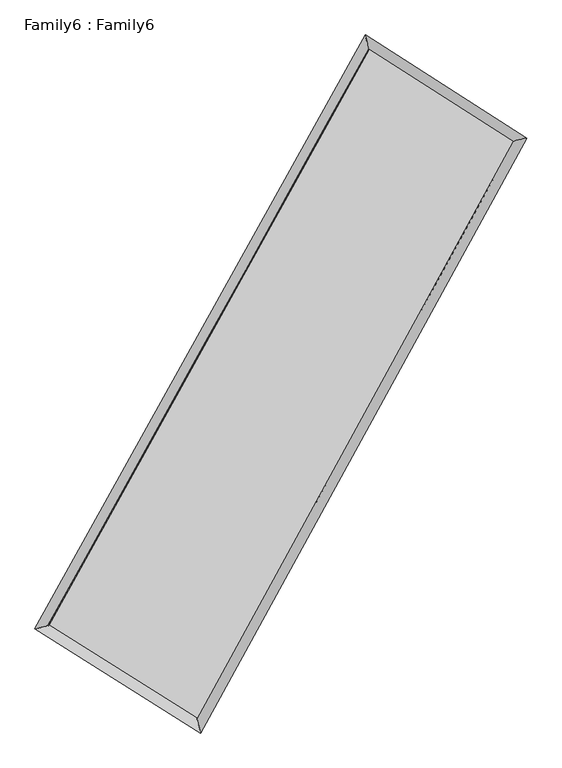
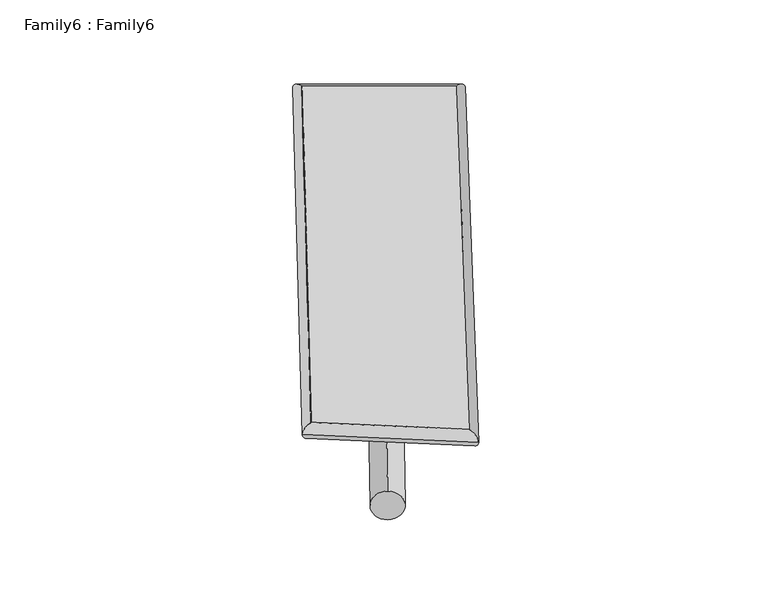
"""IFC4 building model written with IfcOpenShell, lengths in millimetres: plate geometry, Family6 : Family6."""

from ifc_helpers import new_model, si_unit, point, frame, origin, origin_2d, place, context, project, spatial, circle_curve, ellipse_curve, trimmed, segment, composite_curve, outline, extrude, source, transform, mapped, element, save
from ifc_brep_helpers import plane_surface, cylinder_surface, spline_surface, advanced_brep


def family6_family6_60eda003(model_context):
    return source(origin(), model_context, "Body", "SolidModel", [
        extrude(outline(composite_curve([segment(trimmed(circle_curve(origin_2d(), 76.2), [point((-75.4341514, -10.7763073))], [point((75.4341514, 10.7763073))], False, "CARTESIAN"), True, "CONTINUOUS"), segment(trimmed(circle_curve(origin_2d(), 76.2), [point((75.4341514, 10.7763073))], [point((-75.4341514, -10.7763073))], False, "CARTESIAN"), True, "CONTINUOUS")], self_intersect=False)), frame((9144.0, 9144.0, 0.0), z_axis=(0.6628360904195012, 0.6923492654614727, 0.28513297222936207), x_axis=(-0.6851701525117394, 0.7144190949616327, -0.14194089918427955)), (0.0, 0.0, 1.0), 5488.0982779),
        extrude(outline(composite_curve([segment(trimmed(circle_curve(origin_2d(), 76.2), [point((-53.8815368, 53.8815367))], [point((53.8815368, -53.8815367))], False, "CARTESIAN"), True, "CONTINUOUS"), segment(trimmed(circle_curve(origin_2d(), 76.2), [point((53.8815368, -53.8815367))], [point((-53.8815368, 53.8815367))], False, "CARTESIAN"), True, "CONTINUOUS")], self_intersect=False)), frame((9144.0, 9144.0, 0.0), z_axis=(-0.6671465709234192, -0.6885724161679905, 0.28422434905844907), x_axis=(0.6494764968904213, -0.35079963915844486, 0.6746257430259027)), (0.0, 0.0, 1.0), 5503.8072795),
        extrude(outline(composite_curve([segment(trimmed(circle_curve(origin_2d(), 76.2), [point((-53.8815368, -53.8815367))], [point((53.8815368, 53.8815367))], False, "CARTESIAN"), True, "CONTINUOUS"), segment(trimmed(circle_curve(origin_2d(), 76.2), [point((53.8815368, 53.8815367))], [point((-53.8815368, -53.8815367))], False, "CARTESIAN"), True, "CONTINUOUS")], self_intersect=False)), frame((9144.0, 9144.0, 0.0), z_axis=(0.24219779670273572, 0.9338759599134253, 0.2630891840576473), x_axis=(-0.8442988930623518, 0.3364636066042845, -0.4170750778990814)), (0.0, 0.0, 1.0), 5624.059155),
        extrude(outline(composite_curve([segment(trimmed(circle_curve(origin_2d(), 76.2), [point((-75.4341514, 10.7763074))], [point((75.4341514, -10.7763074))], False, "CARTESIAN"), True, "CONTINUOUS"), segment(trimmed(circle_curve(origin_2d(), 76.2), [point((75.4341514, -10.7763074))], [point((-75.4341514, 10.7763074))], False, "CARTESIAN"), True, "CONTINUOUS")], self_intersect=False)), frame((9144.0, 9144.0, 0.0), z_axis=(-0.2367358561285735, -0.9352320351930741, 0.2632435654896279), x_axis=(0.8904486025103097, -0.10046592864309889, 0.4438557011792419)), (0.0, 0.0, 1.0), 5623.6015425),
        advanced_brep(
        [(5269.0073144, 5302.2714133, 1558.0626479), (5268.8062446, 5302.0003757, 1571.9726312), (5675.3003786, 5406.1888336, 1570.5694348), (10560.4304484, 14180.7692587, 1488.3866523), (10451.8390233, 14611.5780253, 1470.8716161), (5675.5014484, 5406.4598712, 1556.6594515), (12579.5320621, 12891.9825632, 1563.9916803), (12983.8871507, 12995.3790599, 1565.6838674), (7756.803102, 4099.6295825, 1482.01737), (7868.5806466, 3669.6257862, 1478.7364718)],
        [
            (0, 1, ellipse_curve(frame((5472.1538465, 5354.2301235, 1564.3160413), z_axis=(-0.24820558630042916, 0.9685867796629438, 0.015285195171409263), x_axis=(-0.9682139291100899, -0.2485518421918167, 0.027995878629828545)), 210.0944019, 152.4)),
            (1, 2, ellipse_curve(frame((5472.1538465, 5354.2301235, 1564.3160413), z_axis=(-0.24820558630042916, 0.9685867796629438, 0.015285195171409263), x_axis=(-0.9682139291100899, -0.2485518421918167, 0.027995878629828545)), 210.0944019, 152.4)),
            (2, 3),
            (3, 4, ellipse_curve(frame((10506.1347359, 14396.173642, 1479.6291342), z_axis=(-0.9693644542283505, -0.2450348817482966, -0.01704293417139522), x_axis=(0.24452834957311928, -0.9692582289972975, 0.027283177528813807)), 222.3329829, 152.4)),
            (4, 0),
            (2, 5, ellipse_curve(frame((5472.1538465, 5354.2301235, 1564.3160413), z_axis=(-0.24820558630042916, 0.9685867796629438, 0.015285195171409263), x_axis=(-0.9682139291100899, -0.2485518421918167, 0.027995878629828545)), 210.0944019, 152.4)),
            (5, 0, ellipse_curve(frame((5472.1538465, 5354.2301235, 1564.3160413), z_axis=(-0.24820558630042916, 0.9685867796629438, 0.015285195171409263), x_axis=(-0.9682139291100899, -0.2485518421918167, 0.027995878629828545)), 210.0944019, 152.4)),
            (4, 3, ellipse_curve(frame((10506.1347359, 14396.173642, 1479.6291342), z_axis=(-0.9693644542283505, -0.2450348817482966, -0.01704293417139522), x_axis=(0.24452834957311928, -0.9692582289972975, 0.027283177528813807)), 222.3329829, 152.4)),
            (3, 6),
            (6, 7, ellipse_curve(frame((12781.7096064, 12943.6808115, 1564.8377739), z_axis=(-0.24764153308015094, 0.9687194858532739, -0.016007149086614634), x_axis=(-0.9683189935625091, -0.2480194025852585, -0.02906376863623965)), 208.7416008, 152.4)),
            (7, 4),
            (7, 6, ellipse_curve(frame((12781.7096064, 12943.6808115, 1564.8377739), z_axis=(-0.24764153308015094, 0.9687194858532739, -0.016007149086614634), x_axis=(-0.9683189935625091, -0.2480194025852585, -0.02906376863623965)), 208.7416008, 152.4)),
            (6, 8),
            (8, 9, ellipse_curve(frame((7812.6918743, 3884.6276843, 1480.3769209), z_axis=(0.9676787294876972, 0.2516671083732808, -0.01617229297618071), x_axis=(-0.25119735016335637, 0.9675737589252532, 0.026474748538255318)), 222.1988285, 152.4)),
            (9, 7),
            (9, 8, ellipse_curve(frame((7812.6918743, 3884.6276843, 1480.3769209), z_axis=(0.9676787294876972, 0.2516671083732808, -0.01617229297618071), x_axis=(-0.25119735016335637, 0.9675737589252532, 0.026474748538255318)), 222.1988285, 152.4)),
            (8, 5),
            (1, 9),
        ],
        [
            cylinder_surface(frame((5472.1538465, 5354.2301235, 1564.3160413), z_axis=(-0.4864149750916973, -0.8736895963649967, 0.008182982959338253), x_axis=(-0.8728730947963983, 0.48550358856771897, -0.048773208510666625)), 152.4),
            cylinder_surface(frame((10506.1347359, 14396.173642, 1479.6291342), z_axis=(-0.8425029469859535, 0.5377671840369074, -0.0315474260914994), x_axis=(0.5385178191211831, 0.8422734331642139, -0.023958761961612257)), 152.4),
            cylinder_surface(frame((12781.7096064, 12943.6808115, 1564.8377739), z_axis=(0.48090210180368254, 0.8767361929701518, 0.00817413096331476), x_axis=(0.8767717954257636, -0.4809021018036825, -0.0020945707635421423)), 152.4),
            cylinder_surface(frame((7812.6918743, 3884.6276843, 1480.3769209), z_axis=(0.8465057820438424, -0.5315132449193447, -0.030358383383370834), x_axis=(-0.5310847306967548, -0.8470475694438401, 0.0214341764488052)), 152.4),
        ],
        [
            (0, [[1, 2, 3, 4, 5]]),
            (0, [[6, 7, -5, 8, -3]]),
            (1, [[-4, 9, 10, 11]]),
            (1, [[-8, -11, 12, -9]]),
            (2, [[-10, 13, 14, 15]]),
            (2, [[-12, -15, 16, -13]]),
            (3, [[-14, 17, -6, -2, 18]]),
            (3, [[-16, -18, -1, -7, -17]]),
        ],
    ),
        extrude(outline(composite_curve([segment(trimmed(circle_curve(origin_2d(), 304.8), [point((0.0, -304.8))], [point((0.0, 304.8))], False, "CARTESIAN"), True, "CONTINUOUS"), segment(trimmed(circle_curve(origin_2d(), 304.8), [point((0.0, 304.8))], [point((0.0, -304.8))], False, "CARTESIAN"), True, "CONTINUOUS")], self_intersect=False)), frame((6594.5231464, 4629.8988741, -0.0520057), z_axis=(0.49176900504163573, 0.8707257005393437, 1.0031387298761351e-05), x_axis=(-0.870725700593135, 0.49176900504163573, 2.637011588431653e-06)), (0.0, 0.0, 1.0), 10368.5951226),
        advanced_brep(
        [(5472.1538465, 5354.2301235, 1564.3160413), (7812.6918743, 3884.6276843, 1480.3769209), (7812.711799, 3884.6199767, 1632.7769194), (5472.1737712, 5354.2224158, 1716.7160399), (12781.7096064, 12943.6808115, 1564.8377739), (12781.7295311, 12943.6731039, 1717.2377724), (10506.1347359, 14396.173642, 1479.6291342), (10506.1546606, 14396.1659344, 1632.0291327)],
        [
            (0, 1),
            (1, 2),
            (2, 3),
            (3, 0),
            (1, 4),
            (4, 5),
            (5, 2),
            (4, 6),
            (6, 7),
            (7, 5),
            (6, 0),
            (3, 7),
        ],
        [
            plane_surface(frame((6642.4228604, 4619.4289039, 1522.3464811), z_axis=(-0.531757657299957, -0.8468965658157552, 2.6689737345531733e-05), x_axis=(0.846505782043843, -0.5315132449193438, -0.030358383383370886))),
            plane_surface(frame((10297.2007404, 8414.1542479, 1522.6073474), z_axis=(0.8767660224032335, -0.4809171681818228, -0.0001389503124021806), x_axis=(0.48090210180368154, 0.8767361929701524, 0.008174130963314754))),
            plane_surface(frame((11643.9221711, 13669.9272268, 1522.233454), z_axis=(0.538035724747763, 0.8429220356161179, -2.7711540521748596e-05), x_axis=(-0.8425029469859537, 0.537767184036907, -0.03154742609149941))),
            plane_surface(frame((7989.1442912, 9875.2018827, 1521.9725878), z_axis=(-0.8737182884411646, 0.4864322493106894, 0.00013883077966377706), x_axis=(-0.48641497509169723, -0.8736895963649967, 0.008182982959338255))),
            spline_surface(1, 1, [[(7812.711799, 3884.6199767, 1632.7769194), (5472.1737712, 5354.2224158, 1716.7160399)], [(12781.7295311, 12943.6731039, 1717.2377724), (10506.1546606, 14396.1659344, 1632.0291327)]], [2, 2], [2, 2], [0.0, 1.0], [0.0, 1.0]),
            spline_surface(1, 1, [[(10506.1347359, 14396.173642, 1479.6291342), (5472.1538465, 5354.2301235, 1564.3160413)], [(12781.7096064, 12943.6808115, 1564.8377739), (7812.6918743, 3884.6276843, 1480.3769209)]], [2, 2], [2, 2], [0.0, 1.0], [0.0, 1.0]),
        ],
        [
            (0, [[1, 2, 3, 4]]),
            (1, [[5, 6, 7, -2]]),
            (2, [[8, 9, 10, -6]]),
            (3, [[11, -4, 12, -9]]),
            (4, [[-3, -7, -10, -12]]),
            (5, [[-11, -8, -5, -1]]),
        ],
    ),
    ])


if __name__ == "__main__":
    model = new_model("IFC4")
    model_context = context("Model", 3, world=origin())
    ifc_project = project(units=[si_unit("LENGTHUNIT", "METRE", prefix="MILLI")], contexts=[model_context])
    site = spatial("IfcSite", under=ifc_project)
    building = spatial("IfcBuilding", under=site)
    placement = place(None, origin())
    family6_family6_shape = family6_family6_60eda003(model_context)
    element("IfcPlate", 1, ObjectType="Family6 : Family6", at=placement, inside=building, context=model_context, shape_type="MappedRepresentation", body=[
        mapped(family6_family6_shape, transform((0.0, 0.0, 0.0), x_axis=(1.0, 0.0, 0.0), y_axis=(0.0, 1.0, 0.0), z_axis=(0.0, 0.0, 1.0))),
    ])
    save(model, "model.ifc")
